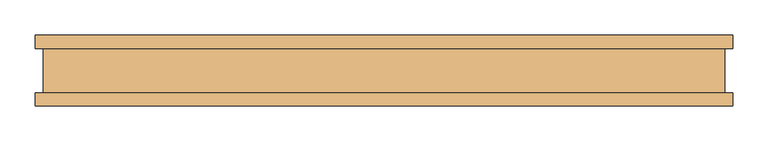
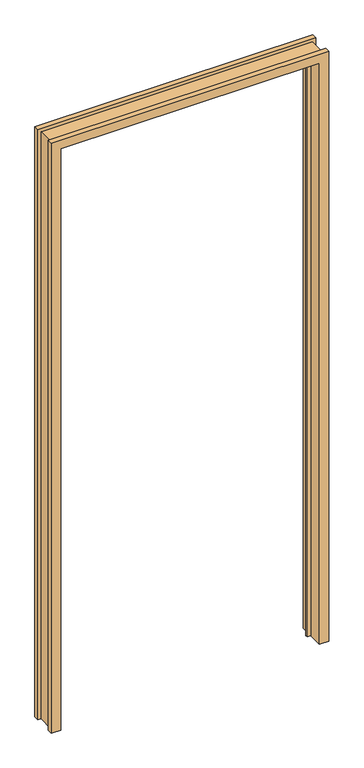
"""IFC4 building model written with IfcOpenShell, lengths in millimetres: door geometry."""

from ifc_helpers import new_model, si_unit, origin, place, context, project, spatial, faceted_brep, source, transform, mapped, element, save


def door_7e3c26a9(model_context):
    return source(origin(), model_context, "Body", "Brep", [
        faceted_brep([(-491.6905792, -31.447233, 0.0), (-480.6923792, -31.447233, 0.0), (-480.6923792, 31.468567, 0.0), (-491.6905792, 31.468567, 0.0), (-491.6905792, 50.010667, 0.0), (-458.6705792, 50.010667, 0.0), (-458.6705792, 10.907167, 0.0), (-445.7165792, 10.907167, 0.0), (-445.7165792, 2.6789063, 0.0), (-458.6705792, 2.6789063, 0.0), (-458.6705792, -49.989233, 0.0), (-491.6905792, -49.989233, 0.0), (-491.6905792, -49.989233, 2209.7925997), (-491.6905792, -31.447233, 2209.7925997), (-458.6705792, -49.989233, 2176.7725997), (458.6705792, -49.989233, 2176.7725997), (458.6705792, -49.989233, 0.0), (491.6905792, -49.989233, 0.0), (491.6905792, -49.989233, 2209.7925997), (-458.6705792, 2.6789063, 2176.7725997), (-445.7165792, 2.6789063, 2163.8185997), (445.7165792, 2.6789063, 2163.8185997), (445.7165792, 2.6789063, 0.0), (458.6705792, 2.6789063, 0.0), (458.6705792, 2.6789063, 2176.7725997), (-445.7165792, 10.907167, 2163.8185997), (-458.6705792, 10.907167, 2176.7725997), (458.6705792, 10.907167, 2176.7725997), (458.6705792, 10.907167, 0.0), (445.7165792, 10.907167, 0.0), (445.7165792, 10.907167, 2163.8185997), (-458.6705792, 50.010667, 2176.7725997), (-491.6905792, 50.010667, 2209.7925997), (491.6905792, 50.010667, 2209.7925997), (491.6905792, 50.010667, 0.0), (458.6705792, 50.010667, 0.0), (458.6705792, 50.010667, 2176.7725997), (-491.6905792, 31.468567, 2209.7925997), (-480.6923792, 31.468567, 2198.7943997), (480.6923792, 31.468567, 2198.7943997), (480.6923792, 31.468567, 0.0), (491.6905792, 31.468567, 0.0), (491.6905792, 31.468567, 2209.7925997), (-480.6923792, -31.447233, 2198.7943997), (491.6905792, -31.447233, 2209.7925997), (491.6905792, -31.447233, 0.0), (480.6923792, -31.447233, 0.0), (480.6923792, -31.447233, 2198.7943997)], [[[0, 1, 2, 3, 4, 5, 6, 7, 8, 9, 10, 11]], [[11, 12, 13, 0]], [[10, 14, 15, 16, 17, 18, 12, 11]], [[9, 19, 14, 10]], [[8, 20, 21, 22, 23, 24, 19, 9]], [[7, 25, 20, 8]], [[6, 26, 27, 28, 29, 30, 25, 7]], [[5, 31, 26, 6]], [[4, 32, 33, 34, 35, 36, 31, 5]], [[3, 37, 32, 4]], [[2, 38, 39, 40, 41, 42, 37, 3]], [[1, 43, 38, 2]], [[0, 13, 44, 45, 46, 47, 43, 1]], [[36, 35, 28, 27]], [[45, 17, 16, 23, 22, 29, 28, 35, 34, 41, 40, 46]], [[47, 46, 40, 39]], [[30, 29, 22, 21]], [[24, 23, 16, 15]], [[18, 17, 45, 44]], [[42, 41, 34, 33]], [[31, 36, 27, 26]], [[43, 47, 39, 38]], [[25, 30, 21, 20]], [[19, 24, 15, 14]], [[12, 18, 44, 13]], [[37, 42, 33, 32]]]),
    ])


if __name__ == "__main__":
    model = new_model("IFC4")
    model_context = context("Model", 3, world=origin())
    ifc_project = project(units=[si_unit("LENGTHUNIT", "METRE", prefix="MILLI")], contexts=[model_context])
    site = spatial("IfcSite", under=ifc_project)
    building = spatial("IfcBuilding", under=site)
    placement = place(None, origin())
    door_shape = door_7e3c26a9(model_context)
    element("IfcDoor", 1, at=placement, inside=building, context=model_context, shape_type="MappedRepresentation", body=[
        mapped(door_shape, transform((0.0, 0.0, 0.0), x_axis=(1.0, 0.0, 0.0), y_axis=(0.0, 1.0, 0.0), z_axis=(0.0, 0.0, 1.0))),
    ])
    save(model, "model.ifc")
